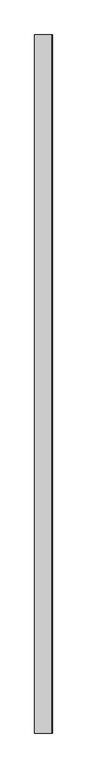
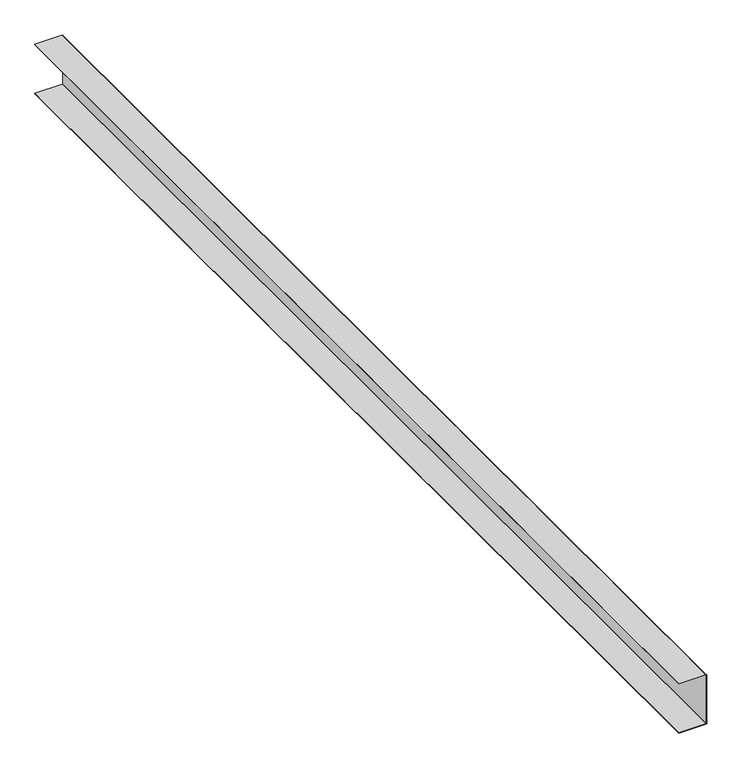
"""IFC4 building model written with IfcOpenShell, lengths in millimetres: proxy geometry."""

from ifc_helpers import new_model, si_unit, point, frame, frame_2d, origin, place, context, project, spatial, polyline, circle_curve, trimmed, segment, composite_curve, outline, extrude, source, transform, mapped, element, save


def specialty_equipment_729ebd7c(model_context):
    return source(origin(), model_context, "Body", "SweptSolid", [
        extrude(outline(composite_curve([segment(polyline([(1.016, -75.184), (0.0, -75.184), (0.0, -1.0160813)]), True, "CONTINUOUS"), segment(trimmed(circle_curve(frame_2d((-1.0160813, -1.0160813)), 1.0160813), [point((0.0, -1.0160813))], [point((-1.0160813, 0.0))], True, "CARTESIAN"), True, "CONTINUOUS"), segment(polyline([(-1.0160813, 0.0), (-138.6839187, 0.0)]), True, "CONTINUOUS"), segment(trimmed(circle_curve(frame_2d((-138.6839187, -1.0160813)), 1.0160813), [point((-138.6839187, 0.0))], [point((-139.7, -1.0160813))], True, "CARTESIAN"), True, "CONTINUOUS"), segment(polyline([(-139.7, -1.0160813), (-139.7, -75.184), (-140.716, -75.184), (-140.716, -1.0160813)]), True, "CONTINUOUS"), segment(trimmed(circle_curve(frame_2d((-138.6839187, -1.0160813)), 2.0320813), [point((-140.716, -1.0160813))], [point((-138.6839187, 1.016))], False, "CARTESIAN"), True, "CONTINUOUS"), segment(polyline([(-138.6839187, 1.016), (-1.8168994, 1.016)]), True, "CONTINUOUS"), segment(trimmed(circle_curve(frame_2d((-1.8168994, -1.8168994)), 2.8328994), [point((-1.8168994, 1.016))], [point((1.016, -1.8168994))], False, "CARTESIAN"), True, "CONTINUOUS"), segment(polyline([(1.016, -1.8168994), (1.016, -75.184)]), True, "CONTINUOUS")], self_intersect=False)), frame((0.0, -1141.4125, 0.0), z_axis=(0.0, 1.0, 0.0), x_axis=(0.0, 0.0, 1.0)), (0.0, 0.0, 1.0), 3021.0125),
    ])


if __name__ == "__main__":
    model = new_model("IFC4")
    model_context = context("Model", 3, world=origin())
    ifc_project = project(units=[si_unit("LENGTHUNIT", "METRE", prefix="MILLI")], contexts=[model_context])
    site = spatial("IfcSite", under=ifc_project)
    building = spatial("IfcBuilding", under=site)
    placement = place(None, origin())
    specialty_equipment_shape = specialty_equipment_729ebd7c(model_context)
    element("IfcBuildingElementProxy", 1, Name="Specialty Equipment", at=placement, inside=building, context=model_context, shape_type="MappedRepresentation", body=[
        mapped(specialty_equipment_shape, transform((0.0, 0.0, 0.0), x_axis=(1.0, 0.0, 0.0), y_axis=(0.0, 1.0, 0.0), z_axis=(0.0, 0.0, 1.0))),
    ])
    save(model, "model.ifc")
